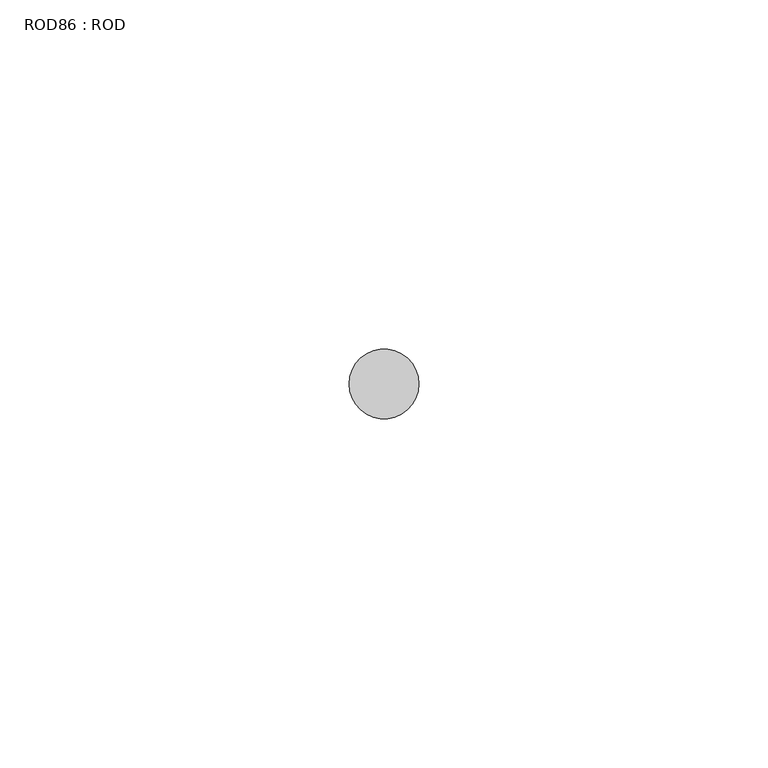
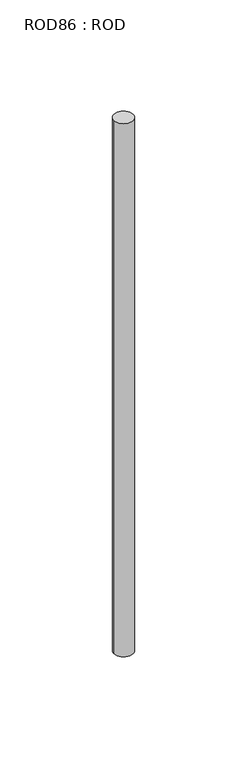
"""IFC4 building model written with IfcOpenShell, lengths in millimetres: proxy geometry, ROD86 : ROD."""

from ifc_helpers import new_model, si_unit, point, frame, frame_2d, origin, place, context, project, spatial, circle_curve, trimmed, segment, composite_curve, outline, extrude, source, transform, mapped, element, save


def rod86_rod_29b265b6(model_context):
    return source(origin(), model_context, "Body", "SweptSolid", [
        extrude(outline(composite_curve([segment(trimmed(circle_curve(frame_2d((-9720.2326676, -12414.6300853)), 5.0), [point((-9725.2326676, -12414.6300853))], [point((-9715.2326676, -12414.6300853))], False, "CARTESIAN"), True, "CONTINUOUS"), segment(trimmed(circle_curve(frame_2d((-9720.2326676, -12414.6300853)), 5.0), [point((-9715.2326676, -12414.6300853))], [point((-9725.2326676, -12414.6300853))], False, "CARTESIAN"), True, "CONTINUOUS")], self_intersect=False)), frame((0.0, 0.0, -208.6608845), z_axis=(0.0, 0.0, 1.0), x_axis=(1.0, 0.0, 0.0)), (0.0, 0.0, 1.0), 298.9028972),
    ])


if __name__ == "__main__":
    model = new_model("IFC4")
    model_context = context("Model", 3, world=origin())
    ifc_project = project(units=[si_unit("LENGTHUNIT", "METRE", prefix="MILLI")], contexts=[model_context])
    site = spatial("IfcSite", under=ifc_project)
    building = spatial("IfcBuilding", under=site)
    placement = place(None, origin())
    rod86_rod_shape = rod86_rod_29b265b6(model_context)
    element("IfcBuildingElementProxy", 1, Name="ROD86 : ROD", ObjectType="ROD86 : ROD", at=placement, inside=building, context=model_context, shape_type="MappedRepresentation", body=[
        mapped(rod86_rod_shape, transform((0.0, 0.0, 0.0), x_axis=(1.0, 0.0, 0.0), y_axis=(0.0, 1.0, 0.0), z_axis=(0.0, 0.0, 1.0))),
    ])
    save(model, "model.ifc")
